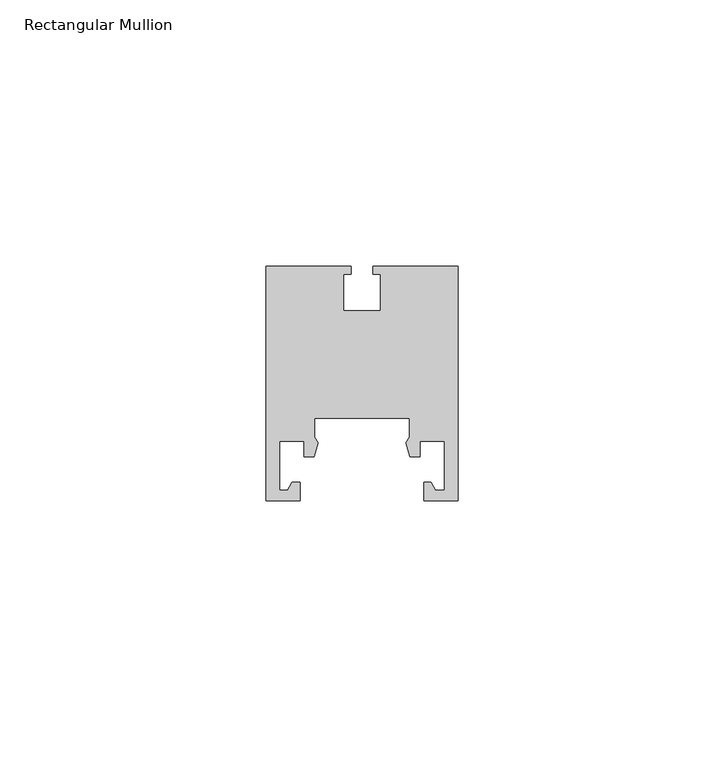
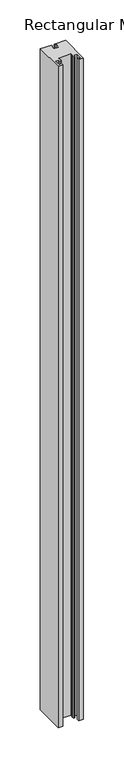
"""IFC4 building model written with IfcOpenShell, lengths in millimetres: member geometry, Rectangular Mullion."""

from ifc_helpers import new_model, si_unit, frame, origin, place, context, project, spatial, polyline, outline, extrude, source, transform, mapped, element, save


def rectangular_mullion_e8496561(model_context):
    return source(origin(), model_context, "Body", "SweptSolid", [
        extrude(outline(polyline([(-26.9, 11.8880702), (-26.3, 10.835577), (-27.0483348, 8.235577), (-28.9, 8.235577), (-28.9, 11.085577), (-33.5, 11.085577), (-33.5, 1.935577), (-32.0, 1.935577), (-31.1339746, 3.435577), (-29.6, 3.435577), (-29.6, -0.064423), (-36.0, -0.064423), (-36.0, 43.935577), (-20.05, 43.935577), (-20.05, 42.435577), (-21.5, 42.435577), (-21.5, 35.635577), (-14.5, 35.635577), (-14.5, 42.435577), (-15.95, 42.435577), (-15.95, 43.935577), (0.0, 43.935577), (0.0, -0.064423), (-6.4, -0.064423), (-6.4, 3.435577), (-5.029218, 3.435577), (-4.1631926, 1.935577), (-2.5, 1.935577), (-2.5, 11.085577), (-7.1, 11.085577), (-7.1, 8.235577), (-8.9516652, 8.235577), (-9.7, 10.835577), (-9.1, 11.8880702), (-9.1, 15.435577), (-26.9, 15.435577), (-26.9, 11.8880702)])), frame((0.0, 0.0, -1000.0), z_axis=(0.0, 0.0, 1.0), x_axis=(1.0, 0.0, 0.0)), (0.0, 0.0, 1.0), 1000.0),
    ])


if __name__ == "__main__":
    model = new_model("IFC4")
    model_context = context("Model", 3, world=origin())
    ifc_project = project(units=[si_unit("LENGTHUNIT", "METRE", prefix="MILLI")], contexts=[model_context])
    site = spatial("IfcSite", under=ifc_project)
    building = spatial("IfcBuilding", under=site)
    placement = place(None, origin())
    rectangular_mullion_shape = rectangular_mullion_e8496561(model_context)
    element("IfcMember", 1, ObjectType="Rectangular Mullion", at=placement, inside=building, context=model_context, shape_type="MappedRepresentation", body=[
        mapped(rectangular_mullion_shape, transform((0.0, 0.0, 0.0), x_axis=(1.0, 0.0, 0.0), y_axis=(0.0, 1.0, 0.0), z_axis=(0.0, 0.0, 1.0))),
    ])
    save(model, "model.ifc")
